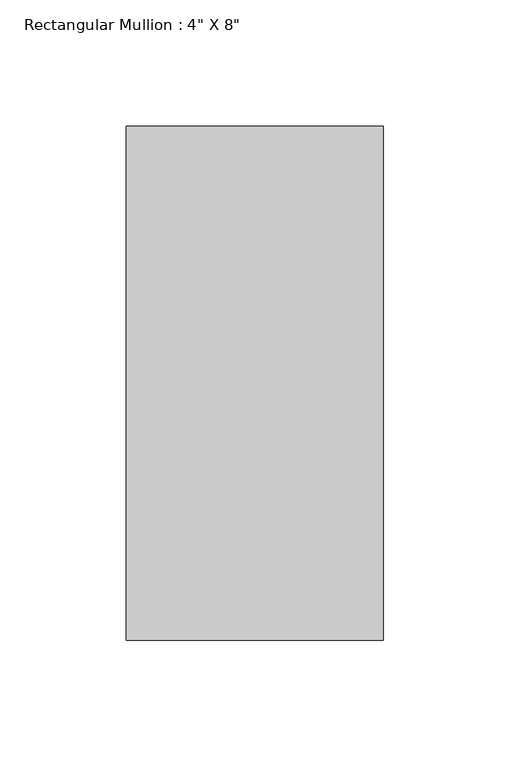
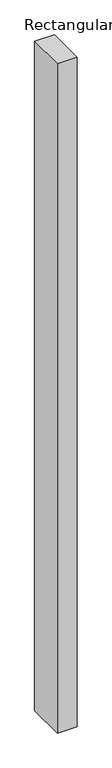
"""IFC4 building model written with IfcOpenShell, lengths in millimetres: member geometry."""

from ifc_helpers import new_model, si_unit, frame, origin, place, context, project, spatial, polyline, outline, extrude, source, transform, mapped, element, save


def member_70a44340(model_context):
    return source(origin(), model_context, "Body", "SweptSolid", [
        extrude(outline(polyline([(0.0, 63.5), (0.0, -139.7), (-101.6, -139.7), (-101.6, 63.5), (0.0, 63.5)])), frame((0.0, 0.0, -3657.6), z_axis=(0.0, 0.0, 1.0), x_axis=(1.0, 0.0, 0.0)), (0.0, 0.0, 1.0), 3657.6),
    ])


if __name__ == "__main__":
    model = new_model("IFC4")
    model_context = context("Model", 3, world=origin())
    ifc_project = project(units=[si_unit("LENGTHUNIT", "METRE", prefix="MILLI")], contexts=[model_context])
    site = spatial("IfcSite", under=ifc_project)
    building = spatial("IfcBuilding", under=site)
    placement = place(None, origin())
    member_shape = member_70a44340(model_context)
    element("IfcMember", 1, ObjectType="Rectangular Mullion : 4\" X 8\"", at=placement, inside=building, context=model_context, shape_type="MappedRepresentation", body=[
        mapped(member_shape, transform((0.0, 0.0, 0.0), x_axis=(1.0, 0.0, 0.0), y_axis=(0.0, 1.0, 0.0), z_axis=(0.0, 0.0, 1.0))),
    ])
    save(model, "model.ifc")
